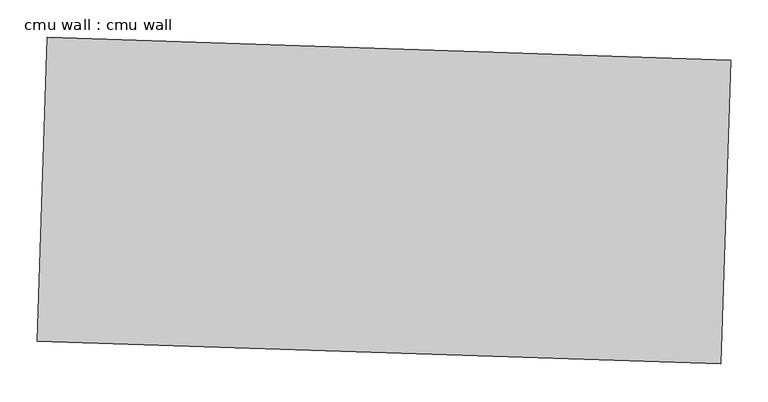
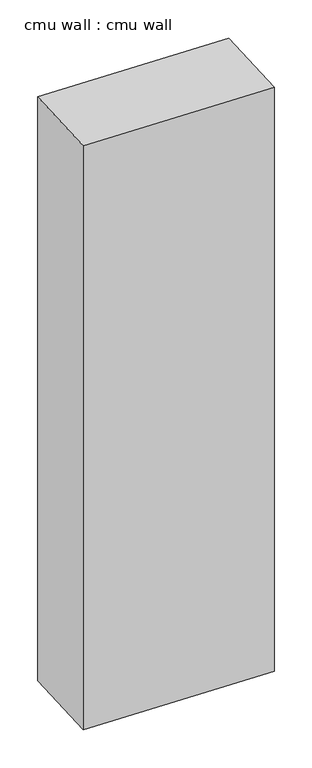
"""IFC4 building model written with IfcOpenShell, lengths in millimetres: proxy geometry, cmu wall : cmu wall."""

from ifc_helpers import new_model, si_unit, frame, origin, place, context, project, spatial, polyline, outline, extrude, source, transform, mapped, element, save


def cmu_wall_cmu_wall_4e727a55(model_context):
    return source(origin(), model_context, "Body", "SweptSolid", [
        extrude(outline(polyline([(17303.1295119, -14672.864629), (18217.0229614, -14703.2968948), (18203.4948493, -15109.5516634), (17289.6013997, -15079.1193976), (17303.1295119, -14672.864629)])), frame((0.0, 0.0, 73.975708), z_axis=(0.0, 0.0, 1.0), x_axis=(1.0, 0.0, 0.0)), (0.0, 0.0, 1.0), 3009.9),
    ])


if __name__ == "__main__":
    model = new_model("IFC4")
    model_context = context("Model", 3, world=origin())
    ifc_project = project(units=[si_unit("LENGTHUNIT", "METRE", prefix="MILLI")], contexts=[model_context])
    site = spatial("IfcSite", under=ifc_project)
    building = spatial("IfcBuilding", under=site)
    placement = place(None, origin())
    cmu_wall_cmu_wall_shape = cmu_wall_cmu_wall_4e727a55(model_context)
    element("IfcBuildingElementProxy", 1, Name="cmu wall : cmu wall", ObjectType="cmu wall : cmu wall", at=placement, inside=building, context=model_context, shape_type="MappedRepresentation", body=[
        mapped(cmu_wall_cmu_wall_shape, transform((0.0, 0.0, 0.0), x_axis=(1.0, 0.0, 0.0), y_axis=(0.0, 1.0, 0.0), z_axis=(0.0, 0.0, 1.0))),
    ])
    save(model, "model.ifc")
